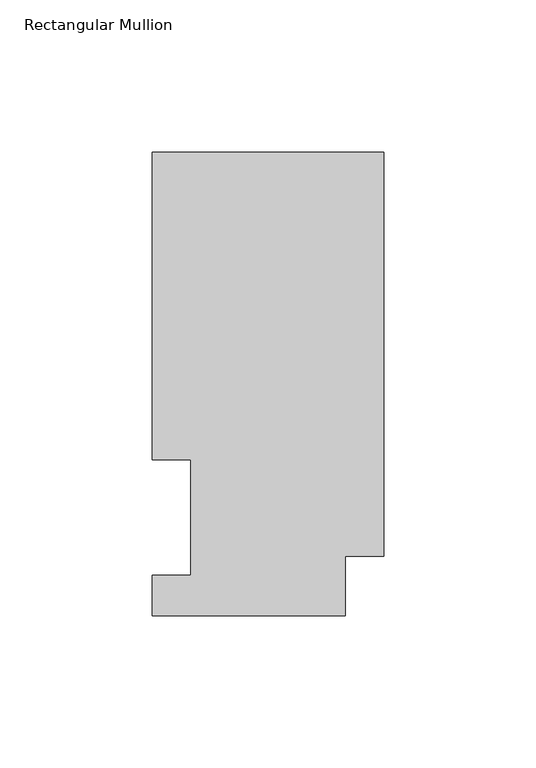
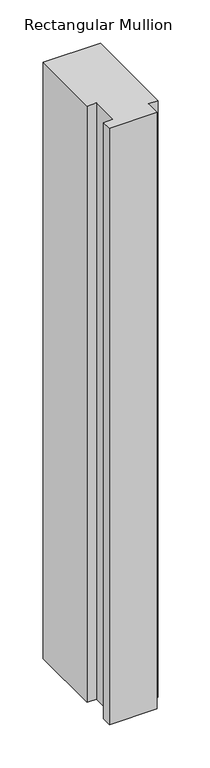
"""IFC4 building model written with IfcOpenShell, lengths in millimetres: member geometry, Rectangular Mullion."""

from ifc_helpers import new_model, si_unit, frame, origin, place, context, project, spatial, polyline, outline, extrude, source, transform, mapped, element, save


def rectangular_mullion_3ac591f5(model_context):
    return source(origin(), model_context, "Body", "SweptSolid", [
        extrude(outline(polyline([(0.0, 152.4896938), (0.0, 19.5455957), (-12.7, 19.5455957), (-12.7, 0.0134938), (-76.2, 0.0134938), (-76.2, 13.1960938), (-63.5, 13.1960938), (-63.5, 51.2960938), (-76.2, 51.2960938), (-76.2, 152.4896938), (0.0, 152.4896938)])), frame((0.0, 0.0, -838.2), z_axis=(0.0, 0.0, 1.0), x_axis=(1.0, 0.0, 0.0)), (0.0, 0.0, 1.0), 838.2),
    ])


if __name__ == "__main__":
    model = new_model("IFC4")
    model_context = context("Model", 3, world=origin())
    ifc_project = project(units=[si_unit("LENGTHUNIT", "METRE", prefix="MILLI")], contexts=[model_context])
    site = spatial("IfcSite", under=ifc_project)
    building = spatial("IfcBuilding", under=site)
    placement = place(None, origin())
    rectangular_mullion_shape = rectangular_mullion_3ac591f5(model_context)
    element("IfcMember", 1, ObjectType="Rectangular Mullion", at=placement, inside=building, context=model_context, shape_type="MappedRepresentation", body=[
        mapped(rectangular_mullion_shape, transform((0.0, 0.0, 0.0), x_axis=(1.0, 0.0, 0.0), y_axis=(0.0, 1.0, 0.0), z_axis=(0.0, 0.0, 1.0))),
    ])
    save(model, "model.ifc")
